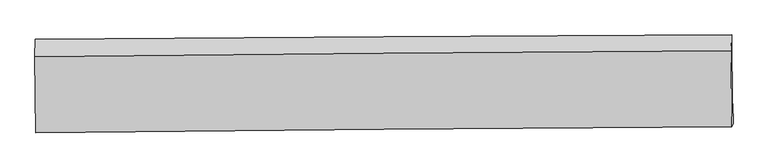
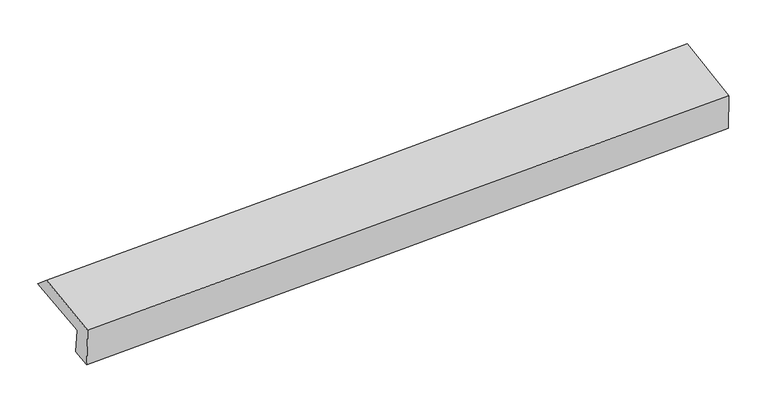
"""IFC4 building model written with IfcOpenShell, lengths in millimetres: proxy geometry."""

from ifc_helpers import new_model, si_unit, frame, origin, place, context, project, spatial, source, transform, mapped, element, save
from ifc_brep_helpers import plane_surface, spline_curve, spline_surface, advanced_brep


def generic_models_3851da76(model_context):
    return source(origin(), model_context, "Body", "AdvancedBrep", [
        advanced_brep(
        [(-3019.8495962, -1817.5794048, 1889.2252376), (-3024.6399307, -1180.187698, 1965.3180588), (2999.9817019, -1143.4584884, 2163.8855496), (3004.5765103, -1774.7641342, 2093.2591427), (-3012.460813, -1777.9413312, 1650.7190939), (3012.0617143, -1737.8761152, 1852.0275639), (-3011.1006005, -1952.5626744, 1628.3586336), (3013.3762263, -1906.6305081, 1830.4183733), (-3022.5511268, -1989.0400551, 1995.0206296), (3002.6188559, -1940.1823941, 2174.7995743), (-3028.1572851, -1333.2470433, 2094.7500005), (2996.4909654, -1278.9651573, 2290.3962439)],
        [
            (0, 1),
            (1, 2, spline_curve(3, [(-3024.6399307, -1180.187698, 1965.3180588), (-2020.070813866, -1172.740136736, 1983.583036319), (-1015.735370146, -1165.955593077, 2009.262772405), (992.471842749, -1153.712518344, 2075.451881582), (1996.343609525, -1148.253992077, 2115.96130934), (2999.9817019, -1143.4584884, 2163.8855496)], [4, 2, 4], [0.0, 9.888704707936665, 19.777445567083603])),
            (2, 3),
            (3, 0, spline_curve(3, [(3004.5765103, -1774.7641342, 2093.2591427), (2000.905830239, -1778.545289076, 2046.245976528), (997.034063133, -1784.003815114, 2005.73654877), (-1011.107973849, -1798.275584399, 1937.725294748), (-2015.378242397, -1807.088814851, 1910.223420797), (-3019.8495962, -1817.5794048, 1889.2252376)], [4, 2, 4], [0.0, 9.888740859146939, 19.777445567083603])),
            (4, 0),
            (3, 5),
            (5, 4, spline_curve(3, [(3012.0617143, -1737.8761152, 1852.0275639), (2008.189961646, -1741.537633662, 1811.362988234), (1004.209623505, -1746.707169833, 1774.254970468), (-1003.964553361, -1760.062252555, 1707.152173389), (-2008.1583909, -1768.247788514, 1677.157367686), (-3012.460813, -1777.9413312, 1650.7190939)], [4, 2, 4], [0.0, 9.88864617306058, 19.77725619525704])),
            (6, 4),
            (5, 7),
            (7, 6, spline_curve(3, [(3013.3762263, -1906.6305081, 1830.4183733), (2009.5065078, -1910.553173929, 1789.720357645), (1005.530995138, -1916.342197607, 1752.533013634), (-1002.627948022, -1931.652933207, 1685.179792681), (-2006.811377602, -1941.17463179, 1655.013889946), (-3011.1006005, -1952.5626744, 1628.3586336)], [4, 2, 4], [0.0, 9.888604017557025, 19.77717188440404])),
            (8, 6),
            (7, 9),
            (9, 8, spline_curve(3, [(3002.6188559, -1940.1823941, 2174.7995743), (1998.3506368, -1945.733214459, 2146.904588046), (994.118111179, -1952.580105833, 2117.975486962), (-1014.271883041, -1968.866002598, 2058.049164378), (-2018.429351419, -1978.304997729, 2027.051950788), (-3022.5511268, -1989.0400551, 1995.0206296)], [4, 2, 4], [0.0, 9.88854852483637, 19.7770608991656])),
            (10, 8),
            (9, 11),
            (11, 10, spline_curve(3, [(2996.4909654, -1278.9651573, 2290.3962439), (1992.675492628, -1284.764573773, 2248.20395755), (988.712817237, -1292.18778376, 2210.803939801), (-1019.503267617, -1310.281757966, 2145.588560606), (-2023.756675743, -1320.952509635, 2117.773163654), (-3028.1572851, -1333.2470433, 2094.7500005)], [4, 2, 4], [0.0, 9.888589521144382, 19.77714289163175])),
            (1, 10),
            (11, 2),
        ],
        [
            spline_surface(3, 3, [[(-3019.8495962, -1817.5794048, 1889.2252376), (-2015.378242367, -1807.088814964, 1910.22342068), (-1011.107973831, -1798.275584312, 1937.72529468), (997.034063116, -1784.0038152, 2005.736548838), (2000.905830127, -1778.545288948, 2046.245976517), (3004.5765103, -1774.7641342, 2093.2591427)], [(-3021.44637438, -1605.115502554, 1914.589511351), (-2016.942432867, -1595.639255586, 1934.676625924), (-1012.650439197, -1587.502253926, 1961.571120548), (995.513322962, -1573.906716277, 2028.97499311), (1999.385089974, -1568.448190024, 2069.48442079), (3003.044907521, -1564.328918927, 2116.801278325)], [(-3023.04315252, -1392.651600246, 1939.953785049), (-2018.506623326, -1384.189696147, 1959.129831113), (-1014.192904625, -1376.728923458, 1985.41694644), (993.992582748, -1363.809617273, 2052.213437406), (1997.864349759, -1358.35109112, 2092.722865086), (3001.513304679, -1353.893703673, 2140.343413975)], [(-3024.6399307, -1180.187698, 1965.3180588), (-2020.070813826, -1172.74013677, 1983.583036357), (-1015.735369991, -1165.955593072, 2009.262772308), (992.471842595, -1153.712518349, 2075.451881679), (1996.343609606, -1148.253992197, 2115.961309358), (2999.9817019, -1143.4584884, 2163.8855496)]], [4, 4], [4, 2, 4], [0.0, 2.084188274794477], [0.0, 9.888704707936665, 19.777445567083603]),
            spline_surface(3, 3, [[(-3012.460813, -1777.9413312, 1650.7190939), (-2008.158390755, -1768.247788678, 1677.157367692), (-1003.964553216, -1760.062252702, 1707.152173256), (1004.209623359, -1746.707169686, 1774.254970601), (2008.189961558, -1741.537633642, 1811.362988339), (3012.0617143, -1737.8761152, 1852.0275639)], [(-3014.923740716, -1791.154022404, 1730.221141796), (-2010.565007942, -1781.194797444, 1754.846052017), (-1006.345693435, -1772.800029881, 1784.009880392), (1001.81776993, -1759.139384833, 1851.415496674), (2005.761917727, -1753.873518757, 1889.657317722), (3009.56664628, -1750.172121546, 1932.438090157)], [(-3017.386668484, -1804.366713596, 1809.723189704), (-2012.97162518, -1794.141806198, 1832.534736355), (-1008.726833612, -1785.537807134, 1860.867587545), (999.425916544, -1771.571600053, 1928.576022765), (2003.333873958, -1766.209403833, 1967.951647135), (3007.07157832, -1762.468127854, 2012.848616443)], [(-3019.8495962, -1817.5794048, 1889.2252376), (-2015.378242367, -1807.088814964, 1910.22342068), (-1011.107973831, -1798.275584312, 1937.72529468), (997.034063116, -1784.0038152, 2005.736548838), (2000.905830127, -1778.545288948, 2046.245976517), (3004.5765103, -1774.7641342, 2093.2591427)]], [4, 4], [4, 2, 4], [0.0, 0.7683775676605882], [0.0, 9.888610022196458, 19.77725619525704]),
            spline_surface(3, 3, [[(-3011.1006005, -1952.5626744, 1628.3586336), (-2006.811377562, -1941.174631647, 1655.013890061), (-1002.627947953, -1931.652933285, 1685.179792714), (1005.530995068, -1916.342197528, 1752.533013601), (2009.506507764, -1910.553173812, 1789.720357536), (3013.3762263, -1906.6305081, 1830.4183733)], [(-3011.554004691, -1894.355559991, 1635.81212036), (-2007.260381984, -1883.532350648, 1662.395049265), (-1003.07348303, -1874.456039756, 1692.503919549), (1005.090537843, -1859.797188246, 1759.773665922), (2009.067659037, -1854.214660434, 1796.934567824), (3012.938055642, -1850.379043812, 1837.621436853)], [(-3012.007408809, -1836.148445609, 1643.26560714), (-2007.709386334, -1825.890069676, 1669.776208488), (-1003.519018139, -1817.259146232, 1699.828046421), (1004.650080585, -1803.252178968, 1767.01431828), (2008.628810284, -1797.87614702, 1804.148778052), (3012.499884958, -1794.127579488, 1844.824500347)], [(-3012.460813, -1777.9413312, 1650.7190939), (-2008.158390755, -1768.247788678, 1677.157367692), (-1003.964553216, -1760.062252702, 1707.152173256), (1004.209623359, -1746.707169686, 1774.254970601), (2008.189961558, -1741.537633642, 1811.362988339), (3012.0617143, -1737.8761152, 1852.0275639)]], [4, 4], [4, 2, 4], [0.0, 0.5643407958496464], [0.0, 9.888567866847016, 19.77717188440404]),
            spline_surface(3, 3, [[(-3022.5511268, -1989.0400551, 1995.0206296), (-2018.429351339, -1978.304997825, 2027.051950633), (-1014.271882926, -1968.866002445, 2058.049164437), (994.118111064, -1952.580105986, 2117.975486902), (1998.350636848, -1945.733214331, 2146.90458799), (3002.6188559, -1940.1823941, 2174.7995743)], [(-3018.734284683, -1976.880928212, 1872.799964267), (-2014.556693397, -1965.928209111, 1903.039263777), (-1010.390571284, -1956.461646061, 1933.759373889), (997.922405717, -1940.500803169, 1996.161329162), (2002.069260466, -1934.006534141, 2027.843177826), (3006.204646013, -1928.998432083, 2060.00584062)], [(-3014.917442617, -1964.721801288, 1750.579298933), (-2010.684035505, -1953.551420361, 1779.026576918), (-1006.509259596, -1944.057289669, 1809.469583261), (1001.726700415, -1928.421500345, 1874.347171342), (2005.787884146, -1922.279854002, 1908.781767701), (3009.790436187, -1917.814470117, 1945.21210698)], [(-3011.1006005, -1952.5626744, 1628.3586336), (-2006.811377562, -1941.174631647, 1655.013890061), (-1002.627947953, -1931.652933285, 1685.179792714), (1005.530995068, -1916.342197528, 1752.533013601), (2009.506507764, -1910.553173812, 1789.720357536), (3013.3762263, -1906.6305081, 1830.4183733)]], [4, 4], [4, 2, 4], [0.0, 1.2177077183199043], [0.0, 9.888512374329231, 19.7770608991656]),
            spline_surface(3, 3, [[(-3028.1572851, -1333.2470433, 2094.7500005), (-2023.756675583, -1320.952509774, 2117.773163765), (-1019.503267482, -1310.281757808, 2145.588560487), (988.712817102, -1292.187783918, 2210.80393992), (1992.675492485, -1284.764573918, 2248.203957654), (2996.4909654, -1278.9651573, 2290.3962439)], [(-3026.288565652, -1551.844713878, 2061.506876872), (-2021.980900821, -1540.070005769, 2087.532759394), (-1017.759472639, -1529.809839355, 2116.408761802), (990.514581748, -1512.318557943, 2179.861122245), (1994.567207297, -1505.087454069, 2214.437501103), (2998.533595591, -1499.370902913, 2251.864020704)], [(-3024.419846248, -1770.442384522, 2028.263753228), (-2020.205126101, -1759.187501829, 2057.292355005), (-1016.01567777, -1749.337920897, 2087.228963123), (992.316346419, -1732.449331961, 2148.918304577), (1996.458922036, -1725.41033418, 2180.671044541), (3000.576225709, -1719.776648487, 2213.331797496)], [(-3022.5511268, -1989.0400551, 1995.0206296), (-2018.429351339, -1978.304997825, 2027.051950633), (-1014.271882926, -1968.866002445, 2058.049164437), (994.118111064, -1952.580105986, 2117.975486902), (1998.350636848, -1945.733214331, 2146.90458799), (3002.6188559, -1940.1823941, 2174.7995743)]], [4, 4], [4, 2, 4], [0.0, 2.1838819688806463], [0.0, 9.888553370487369, 19.77714289163175]),
            spline_surface(3, 3, [[(-3024.6399307, -1180.187698, 1965.3180588), (-2020.070813826, -1172.74013677, 1983.583036357), (-1015.735369991, -1165.955593072, 2009.262772308), (992.471842595, -1153.712518349, 2075.451881679), (1996.343609606, -1148.253992197, 2115.961309358), (2999.9817019, -1143.4584884, 2163.8855496)], [(-3025.812382178, -1231.20747976, 2008.462039353), (-2021.299434422, -1222.144261098, 2028.313078813), (-1016.991335815, -1214.064314645, 2054.704701703), (991.218834103, -1199.8709402, 2120.569234427), (1995.120903886, -1193.757519422, 2160.042192131), (2998.818123054, -1188.627378019, 2206.055781041)], [(-3026.984833622, -1282.22726154, 2051.606019947), (-2022.528054986, -1271.548385445, 2073.043121309), (-1018.247301658, -1262.173036234, 2100.146631093), (989.965825594, -1246.029362067, 2165.686587172), (1993.898198205, -1239.261046692, 2204.123074881), (2997.654544246, -1233.796267681, 2248.226012459)], [(-3028.1572851, -1333.2470433, 2094.7500005), (-2023.756675583, -1320.952509774, 2117.773163765), (-1019.503267482, -1310.281757808, 2145.588560487), (988.712817102, -1292.187783918, 2210.80393992), (1992.675492485, -1284.764573918, 2248.203957654), (2996.4909654, -1278.9651573, 2290.3962439)]], [4, 4], [4, 2, 4], [0.0, 0.6434172503146938], [0.0, 9.888671121563474, 19.777378394214438]),
            plane_surface(frame((3004.8509957, -1630.3127996, 2067.464408), z_axis=(0.9994940532151066, 0.003741000430322123, 0.03158547931278337), x_axis=(0.03107459452651832, 0.09692064341820775, -0.9948068950577359))),
            plane_surface(frame((-3019.7932254, -1675.0930345, 1870.5652757), z_axis=(-0.9994940532150507, -0.003741000437501969, -0.031585479313702036), x_axis=(0.0074623293987640445, -0.9929216492594021, -0.11853654319210265))),
        ],
        [
            (0, [[1, 2, 3, 4]]),
            (1, [[5, -4, 6, 7]]),
            (2, [[8, -7, 9, 10]]),
            (3, [[11, -10, 12, 13]]),
            (4, [[14, -13, 15, 16]]),
            (5, [[17, -16, 18, -2]]),
            (6, [[-12, -9, -6, -3, -18, -15]]),
            (7, [[-1, -5, -8, -11, -14, -17]]),
        ],
    ),
    ])


if __name__ == "__main__":
    model = new_model("IFC4")
    model_context = context("Model", 3, world=origin())
    ifc_project = project(units=[si_unit("LENGTHUNIT", "METRE", prefix="MILLI")], contexts=[model_context])
    site = spatial("IfcSite", under=ifc_project)
    building = spatial("IfcBuilding", under=site)
    placement = place(None, origin())
    generic_models_shape = generic_models_3851da76(model_context)
    element("IfcBuildingElementProxy", 1, Name="Generic Models", at=placement, inside=building, context=model_context, shape_type="MappedRepresentation", body=[
        mapped(generic_models_shape, transform((0.0, 0.0, 0.0), x_axis=(1.0, 0.0, 0.0), y_axis=(0.0, 1.0, 0.0), z_axis=(0.0, 0.0, 1.0))),
    ])
    save(model, "model.ifc")
